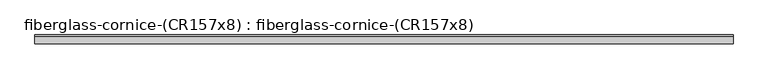
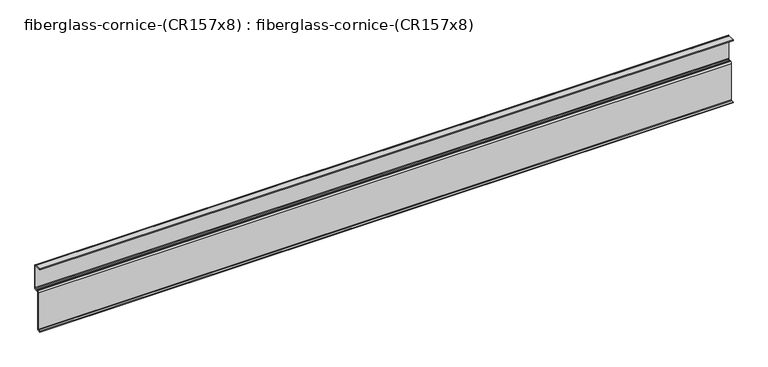
"""IFC4 building model written with IfcOpenShell, lengths in millimetres: furniture geometry, fiberglass-cornice-(CR157x8) : fiberglass-cornice-(CR157x8)."""

from ifc_helpers import new_model, si_unit, point, frame, frame_2d, origin, place, context, project, spatial, polyline, circle_curve, trimmed, segment, composite_curve, outline, extrude, source, transform, mapped, element, save


def fiberglass_cornice_cr157x8_fiberglass_cornice_cr157x8_1159761b(model_context):
    return source(origin(), model_context, "Body", "SweptSolid", [
        extrude(outline(composite_curve([segment(polyline([(101.6, 330.1999904), (144.4625055, 330.1999904)]), True, "CONTINUOUS"), segment(trimmed(circle_curve(frame_2d((144.4625055, 322.261886)), 7.9381044), [point((144.4625055, 330.1999904))], [point((152.4006099, 322.261886))], False, "CARTESIAN"), True, "CONTINUOUS"), segment(polyline([(152.4006099, 322.261886), (152.4006099, 185.6778375)]), True, "CONTINUOUS"), segment(trimmed(circle_curve(frame_2d((144.4631099, 185.6778375)), 7.9375), [point((152.4006099, 185.6778375))], [point((144.4631099, 177.7403375))], False, "CARTESIAN"), True, "CONTINUOUS"), segment(polyline([(144.4631099, 177.7403375), (141.2881099, 177.7403375), (141.2881099, 180.8652557), (138.1125055, 180.8652557), (138.1125055, 177.7402256), (127.0000004, 177.7402256)]), True, "CONTINUOUS"), segment(trimmed(circle_curve(frame_2d((127.0000004, 174.5652256)), 3.175), [point((127.0000004, 177.7402256))], [point((123.8250004, 174.5652256))], True, "CARTESIAN"), True, "CONTINUOUS"), segment(polyline([(123.8250004, 174.5652256), (123.8250004, -49.2125121)]), True, "CONTINUOUS"), segment(trimmed(circle_curve(frame_2d((115.8875004, -49.2125121)), 7.9375), [point((123.8250004, -49.2125121))], [point((115.8875004, -57.1500121))], False, "CARTESIAN"), True, "CONTINUOUS"), segment(polyline([(115.8875004, -57.1500121), (101.854256, -57.1500121), (101.854256, -52.3875121), (115.8875004, -52.3875121)]), True, "CONTINUOUS"), segment(trimmed(circle_curve(frame_2d((115.8875004, -49.2125121)), 3.175), [point((115.8875004, -52.3875121))], [point((119.0625004, -49.2125121))], True, "CARTESIAN"), True, "CONTINUOUS"), segment(polyline([(119.0625004, -49.2125121), (119.0625004, 174.5652256)]), True, "CONTINUOUS"), segment(trimmed(circle_curve(frame_2d((127.0000004, 174.5652256)), 7.9375), [point((119.0625004, 174.5652256))], [point((127.0000004, 182.5027256))], False, "CARTESIAN"), True, "CONTINUOUS"), segment(polyline([(127.0000004, 182.5027256), (130.1750055, 182.5027256)]), True, "CONTINUOUS"), segment(trimmed(circle_curve(frame_2d((130.1750055, 185.6777256)), 3.175), [point((130.1750055, 182.5027256))], [point((132.9100589, 184.0652406))], True, "CARTESIAN"), True, "CONTINUOUS"), segment(trimmed(circle_curve(frame_2d((135.6451123, 182.4527557)), 3.175), [point((132.9100589, 184.0652406))], [point((135.6451123, 185.6277557))], False, "CARTESIAN"), True, "CONTINUOUS"), segment(polyline([(135.6451123, 185.6277557), (144.4625055, 185.6277557)]), True, "CONTINUOUS"), segment(trimmed(circle_curve(frame_2d((144.4625055, 188.8027557)), 3.175), [point((144.4625055, 185.6277557))], [point((147.6375055, 188.8027557))], True, "CARTESIAN"), True, "CONTINUOUS"), segment(polyline([(147.6375055, 188.8027557), (147.6375055, 322.261886)]), True, "CONTINUOUS"), segment(trimmed(circle_curve(frame_2d((144.4625055, 322.261886)), 3.175), [point((147.6375055, 322.261886))], [point((144.4625055, 325.436886))], True, "CARTESIAN"), True, "CONTINUOUS"), segment(polyline([(144.4625055, 325.436886), (101.6, 325.436886), (101.6, 330.1999904)]), True, "CONTINUOUS")], self_intersect=False)), frame((-2012.9498044, 0.0, 0.0), z_axis=(1.0, 0.0, 0.0), x_axis=(0.0, 1.0, 0.0)), (0.0, 0.0, 1.0), 4025.8996087),
    ])


if __name__ == "__main__":
    model = new_model("IFC4")
    model_context = context("Model", 3, world=origin())
    ifc_project = project(units=[si_unit("LENGTHUNIT", "METRE", prefix="MILLI")], contexts=[model_context])
    site = spatial("IfcSite", under=ifc_project)
    building = spatial("IfcBuilding", under=site)
    placement = place(None, origin())
    fiberglass_cornice_cr157x8_fiberglass_cornice_cr157x8_shape = fiberglass_cornice_cr157x8_fiberglass_cornice_cr157x8_1159761b(model_context)
    element("IfcFurniture", 1, ObjectType="fiberglass-cornice-(CR157x8) : fiberglass-cornice-(CR157x8)", at=placement, inside=building, context=model_context, shape_type="MappedRepresentation", body=[
        mapped(fiberglass_cornice_cr157x8_fiberglass_cornice_cr157x8_shape, transform((0.0, 0.0, 0.0), x_axis=(1.0, 0.0, 0.0), y_axis=(0.0, 1.0, 0.0), z_axis=(0.0, 0.0, 1.0))),
    ])
    save(model, "model.ifc")
